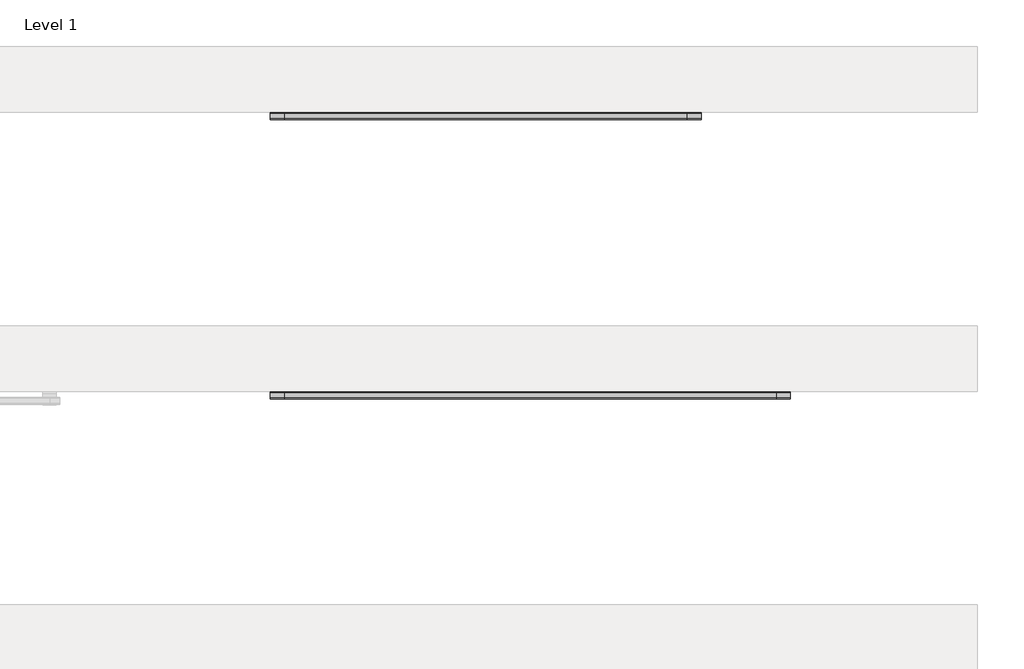
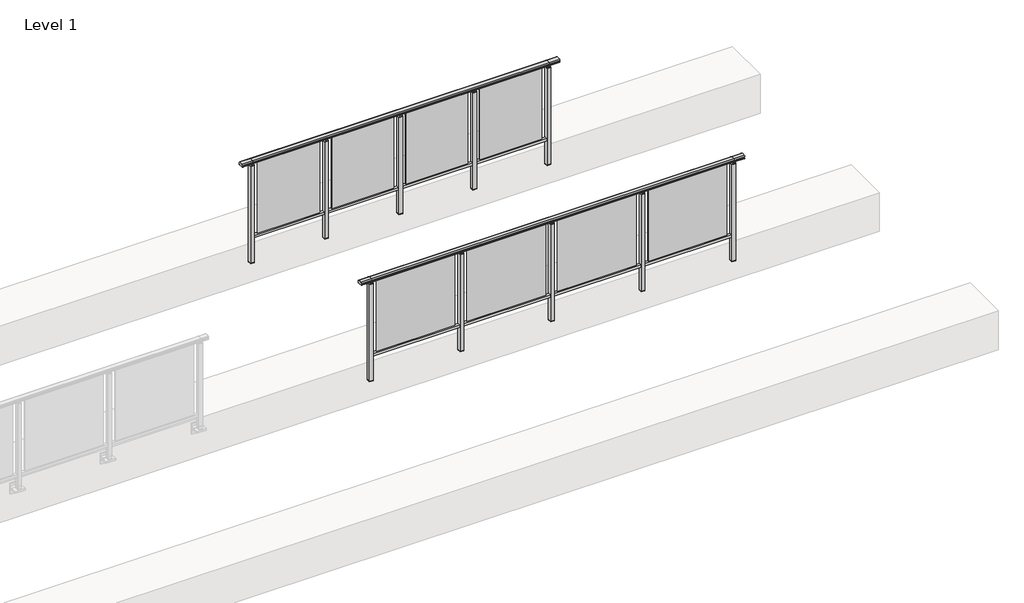
# One storey, part 51 of 64: 2 railings.
"""IFC4 building model written with IfcOpenShell, lengths in millimetres."""

import ifcopenshell
import ifcopenshell.guid

model = None  # the IFC model being written
_history = None  # IfcOwnerHistory: only IFC2X3 demands one
_inside = {}  # id of a spatial element -> (the spatial element, [elements in it])
_under = {}  # id of a project, library or spatial element -> (it, [spatial elements below it])
_declared = {}  # id of a project -> (the project, [libraries it declares])
_typed = {}  # id of a type object -> (the type object, [elements of that type])
_made_of = {}  # id of a material, layer set ... -> (it, [elements and type objects made of it])


def new_model(schema):
    """Start an empty IFC model of exactly this schema.

    Asked for "IFC4X3", IfcOpenShell would pick the latest addendum, in which some entities
    have other attributes; the version numbers below select the first issue.
    IFC2X3 requires an IfcOwnerHistory on every rooted entity: one is made here for all.
    """
    global model, _history
    if schema == "IFC4X3":
        model = ifcopenshell.file(schema_version=(4, 3, 0, 0))
    else:
        model = ifcopenshell.file(schema=schema)
    _inside.clear()
    _under.clear()
    _declared.clear()
    _typed.clear()
    _made_of.clear()
    _history = None
    if model.schema == "IFC2X3":
        org = make("IfcOrganization", Name="unknown")
        user = make(
            "IfcPersonAndOrganization",
            ThePerson=make("IfcPerson", FamilyName="unknown"),
            TheOrganization=org,
        )
        app = make(
            "IfcApplication",
            ApplicationDeveloper=org,
            Version="unknown",
            ApplicationFullName="unknown",
            ApplicationIdentifier="unknown",
        )
        _history = make(
            "IfcOwnerHistory",
            OwningUser=user,
            OwningApplication=app,
            ChangeAction="ADDED",
            CreationDate=0,
        )
    return model


def make(cls, **values):
    """One entity of the class cls with the attributes given. An attribute that is None is left unset."""
    return model.create_entity(
        cls, **{name: value for name, value in values.items() if value is not None}
    )


def rooted(cls, **values):
    """An entity with a GlobalId (a new one), such as an element, a storey or a relation."""
    return make(cls, GlobalId=ifcopenshell.guid.new(), OwnerHistory=_history, **values)


def si_unit(unit_type, name, prefix=None):
    """IfcSIUnit, for example si_unit("LENGTHUNIT", "METRE", prefix="MILLI")."""
    return make("IfcSIUnit", UnitType=unit_type, Prefix=prefix, Name=name)


def assignment(units):
    """IfcUnitAssignment: the units of a project."""
    return None if units is None else make("IfcUnitAssignment", Units=units)


def point(xyz):
    """IfcCartesianPoint."""
    return None if xyz is None else make("IfcCartesianPoint", Coordinates=xyz)


def direction(xyz):
    """IfcDirection."""
    return None if xyz is None else make("IfcDirection", DirectionRatios=xyz)


def frame(location, z_axis=None, x_axis=None):
    """IfcAxis2Placement3D, a coordinate frame: its origin and axes. An axis left out is left unset."""
    return make(
        "IfcAxis2Placement3D",
        Location=point(location),
        Axis=direction(z_axis),
        RefDirection=direction(x_axis),
    )


def origin():
    """The frame at (0, 0, 0) with its axes left unset."""
    return frame((0.0, 0.0, 0.0))


def place(relative_to, where):
    """IfcLocalPlacement: puts the frame where relative to a parent placement (None: the world)."""
    return make(
        "IfcLocalPlacement", PlacementRelTo=relative_to, RelativePlacement=where
    )


def context(
    kind, dimensions, precision=None, world=None, true_north=None, identifier=None
):
    """IfcGeometricRepresentationContext, for example the 3D "Model" context."""
    return make(
        "IfcGeometricRepresentationContext",
        ContextIdentifier=identifier,
        ContextType=kind,
        CoordinateSpaceDimension=dimensions,
        Precision=precision,
        WorldCoordinateSystem=world,
        TrueNorth=true_north,
    )


def project(units=None, contexts=None):
    """IfcProject with its units and contexts."""
    return rooted(
        "IfcProject",
        Name="project",
        RepresentationContexts=contexts,
        UnitsInContext=assignment(units),
    )


def spatial(cls, under=None, at=None, **own):
    """A site, building, storey or space (cls), placed at a placement, below another one or the project."""
    s = rooted(cls, ObjectPlacement=at, **own)
    if under is not None:
        _under.setdefault(under.id(), (under, []))[1].append(s)
    return s


def polyline(points):
    """IfcPolyline through the points."""
    return make("IfcPolyline", Points=[point(p) for p in points])


def circle_curve(where, radius):
    """IfcCircle in the frame where."""
    return make("IfcCircle", Position=where, Radius=radius)


def outline(outer, holes=None, kind="AREA"):
    """IfcArbitraryClosedProfileDef: a profile drawn as a closed curve; with holes, ...WithVoids."""
    if holes is None:
        return make("IfcArbitraryClosedProfileDef", ProfileType=kind, OuterCurve=outer)
    return make(
        "IfcArbitraryProfileDefWithVoids",
        ProfileType=kind,
        OuterCurve=outer,
        InnerCurves=holes,
    )


def extrude(swept, where, along, depth):
    """IfcExtrudedAreaSolid: the profile swept, set in the frame where, extruded along a direction by depth."""
    return make(
        "IfcExtrudedAreaSolid",
        SweptArea=swept,
        Position=where,
        ExtrudedDirection=direction(along),
        Depth=depth,
    )


def shape(context_of_items, identifier, shape_type, items):
    """IfcShapeRepresentation: the items that make up one representation, for example the "Body"."""
    return make(
        "IfcShapeRepresentation",
        ContextOfItems=context_of_items,
        RepresentationIdentifier=identifier,
        RepresentationType=shape_type,
        Items=items,
    )


def made_of(thing, what):
    """Note that an element or type object is made of a material, layer set ...; save() writes the relation."""
    if what is not None:
        _made_of.setdefault(what.id(), (what, []))[1].append(thing)
    return thing


def element(
    cls,
    number,
    at=None,
    inside=None,
    cuts=None,
    type_object=None,
    material=None,
    context=None,
    identifier="Body",
    shape_type=None,
    held_by="IfcProductDefinitionShape",
    body=None,
    shapes=None,
    **own,
):
    """One element of the class cls, such as IfcWall. Its Tag is "e" and its number.

    at: its placement. inside: the storey or other place that contains it. cuts: it is an
    opening in that element (IfcRelVoidsElement). A single representation is given by context,
    identifier, shape_type and body (its items); several are given by shapes. held_by: the class
    of the entity that holds the representations. save() writes the other relations.
    """
    e = rooted(cls, Tag="e%d" % number, ObjectPlacement=at, **own)
    if body is not None:
        shapes = [shape(context, identifier, shape_type, body)]
    if shapes is not None:
        e.Representation = make(held_by, Representations=shapes)
    if inside is not None:
        _inside.setdefault(inside.id(), (inside, []))[1].append(e)
    if cuts is not None:
        rooted(
            "IfcRelVoidsElement", RelatingBuildingElement=cuts, RelatedOpeningElement=e
        )
    if type_object is not None:
        _typed.setdefault(type_object.id(), (type_object, []))[1].append(e)
    return made_of(e, material)


def aggregate(whole, parts):
    """IfcRelAggregates: a whole, such as a stair, and the parts it consists of."""
    return rooted("IfcRelAggregates", RelatingObject=whole, RelatedObjects=parts)


def save(model, path):
    """Write the relations noted so far, then the file.

    IfcRelAggregates (storeys below a building ...), IfcRelContainedInSpatialStructure (elements
    in a storey), IfcRelDefinesByType, IfcRelAssociatesMaterial and IfcRelDeclares: one each for
    every whole, place, type object, material and project.
    """
    for whole, parts in _under.values():
        aggregate(whole, parts)
    for where, things in _inside.values():
        rooted(
            "IfcRelContainedInSpatialStructure",
            RelatedElements=things,
            RelatingStructure=where,
        )
    for kind, things in _typed.values():
        rooted("IfcRelDefinesByType", RelatedObjects=things, RelatingType=kind)
    for what, things in _made_of.values():
        rooted("IfcRelAssociatesMaterial", RelatedObjects=things, RelatingMaterial=what)
    for by, libraries in _declared.values():
        rooted("IfcRelDeclares", RelatingContext=by, RelatedDefinitions=libraries)
    model.write(path)


def plane_surface(at):
    """IfcPlane: the flat surface through the origin of the frame at, square to its z axis."""
    return make("IfcPlane", Position=at)


def cylinder_surface(at, radius):
    """IfcCylindricalSurface: all points at the distance radius from the z axis of the frame at."""
    return make("IfcCylindricalSurface", Position=at, Radius=radius)


def revolved_surface(curve, axis_point, axis_direction):
    """IfcSurfaceOfRevolution: the curve turned about the line through axis_point along axis_direction."""
    return make(
        "IfcSurfaceOfRevolution",
        SweptCurve=make("IfcArbitraryOpenProfileDef", ProfileType="CURVE", Curve=curve),
        AxisPosition=make("IfcAxis1Placement", Location=point(axis_point), Axis=direction(axis_direction)),
    )


def advanced_brep(points, edges, surfaces, faces):
    """IfcAdvancedBrep: a solid bounded by faces that lie on surfaces and meet in shared edges.

    An edge is (start, end): straight between two places in points (the first is 0);
    or (start, end, curve); or (start, end, curve, False) where it runs against its curve.
    A face is (place in surfaces, loops), or (place, loops, False) where it looks against
    its surface's normal. A loop lists edges by number (the first is 1), with a minus sign
    where the edge is run from its end to its start. The first loop is the outer one.
    """
    corners = [point(p) for p in points]
    vertices = [make("IfcVertexPoint", VertexGeometry=c) for c in corners]
    made = []
    for start, end, *more in edges:
        made.append(
            make(
                "IfcEdgeCurve",
                EdgeStart=vertices[start],
                EdgeEnd=vertices[end],
                EdgeGeometry=more[0] if more else make("IfcPolyline", Points=[corners[start], corners[end]]),
                SameSense=more[1] if len(more) > 1 else True,
            )
        )
    hull = []
    for where, loops, *sense in faces:
        bounds = []
        for j, loop in enumerate(loops):
            ring = [make("IfcOrientedEdge", EdgeElement=made[abs(k) - 1], Orientation=k > 0) for k in loop]
            bounds.append(
                make(
                    "IfcFaceOuterBound" if j == 0 else "IfcFaceBound",
                    Bound=make("IfcEdgeLoop", EdgeList=ring),
                    Orientation=True,
                )
            )
        hull.append(make("IfcAdvancedFace", Bounds=bounds, FaceSurface=surfaces[where], SameSense=sense[0] if sense else True))
    return make("IfcAdvancedBrep", Outer=make("IfcClosedShell", CfsFaces=hull))


model = new_model("IFC4")

# Units and contexts
model_context = context("Model", 3, world=origin())
ifc_project = project(units=[si_unit("LENGTHUNIT", "METRE", prefix="MILLI")], contexts=[model_context])

# Site, building, storey
site = spatial("IfcSite", under=ifc_project)
building = spatial("IfcBuilding", under=site)
storey = spatial("IfcBuildingStorey", under=building, Name="Level 1", Elevation=0.0)

# Railings
placement = place(None, origin())
element("IfcRailing", 1, at=placement, inside=storey, context=model_context, shape_type="SolidModel", body=[
    advanced_brep(
    [(49372.5, 19892.8633756, 1095.6691182), (49372.5, 19897.6846828, 1081.1334092), (49372.5, 19896.7413744, 1069.2539035), (49372.5, 19898.6364177, 1061.4863007), (49372.5, 19896.9894799, 1060.384124), (49372.5, 19896.9894799, 1062.0), (49372.5, 19838.3798858, 1062.0), (49372.5, 19838.3798858, 1060.384124), (49372.5, 19836.732948, 1061.4863007), (49372.5, 19838.6279912, 1069.2539035), (49372.5, 19837.6846828, 1081.1334092), (49372.5, 19842.50599, 1095.6691182), (54027.5, 19892.8633756, 1095.6691182), (54027.5, 19842.50599, 1095.6691182), (54027.5, 19837.6846828, 1081.1334092), (54027.5, 19838.6279912, 1069.2539035), (54027.5, 19836.732948, 1061.4863007), (54027.5, 19838.3798858, 1060.384124), (54027.5, 19838.3798858, 1062.0), (54027.5, 19896.9894799, 1062.0), (54027.5, 19896.9894799, 1060.384124), (54027.5, 19898.6364177, 1061.4863007), (54027.5, 19896.7413744, 1069.2539035), (54027.5, 19897.6846828, 1081.1334092), (49500.0, 19892.8633756, 1095.6691182), (49500.0, 19897.6846828, 1081.1334092), (49500.0, 19896.7413744, 1069.2539035), (49500.0, 19898.6364177, 1061.4863007), (49500.0, 19896.9894799, 1060.384124), (49500.0, 19896.9894799, 1062.0), (49500.0, 19838.3798858, 1062.0), (49500.0, 19838.3798858, 1060.384124), (49500.0, 19836.732948, 1061.4863007), (49500.0, 19838.6279912, 1069.2539035), (49500.0, 19837.6846828, 1081.1334092), (49500.0, 19842.50599, 1095.6691182), (53900.0, 19892.8633756, 1095.6691182), (53900.0, 19897.6846828, 1081.1334092), (53900.0, 19896.7413744, 1069.2539035), (53900.0, 19898.6364177, 1061.4863007), (53900.0, 19896.9894799, 1060.384124), (53900.0, 19896.9894799, 1062.0), (53900.0, 19838.3798858, 1062.0), (53900.0, 19838.3798858, 1060.384124), (53900.0, 19836.732948, 1061.4863007), (53900.0, 19838.6279912, 1069.2539035), (53900.0, 19837.6846828, 1081.1334092), (53900.0, 19842.50599, 1095.6691182)],
    [
        (0, 1, circle_curve(frame((49372.5, 19889.6223845, 1086.526686), z_axis=(-1.0, 0.0, 0.0), x_axis=(0.0, -1.0, 0.0)), 9.6999015)),
        (1, 2, circle_curve(frame((49372.5, 19915.2252545, 1073.7633709), z_axis=(1.0, 0.0, 0.0), x_axis=(0.0, -1.0, 0.0)), 19.0260117)),
        (2, 3),
        (3, 4, circle_curve(frame((49372.5, 19897.7772073, 1060.9886194), z_axis=(-1.0, 0.0, 0.0), x_axis=(0.0, -1.0, 0.0)), 0.9929396)),
        (4, 5),
        (5, 6),
        (6, 7),
        (7, 8, circle_curve(frame((49372.5, 19837.5921584, 1060.9886194), z_axis=(-1.0, 0.0, 0.0), x_axis=(0.0, 1.0, 0.0)), 0.9929396)),
        (8, 9),
        (9, 10, circle_curve(frame((49372.5, 19820.1441111, 1073.7633709), z_axis=(1.0, 0.0, 0.0), x_axis=(0.0, 1.0, 0.0)), 19.0260117)),
        (10, 11, circle_curve(frame((49372.5, 19845.7469812, 1086.526686), z_axis=(-1.0, 0.0, 0.0), x_axis=(0.0, 1.0, 0.0)), 9.6999015)),
        (11, 0, circle_curve(frame((49372.5, 19867.6846828, 1024.6431628), z_axis=(-1.0, 0.0, 0.0), x_axis=(0.0, 1.0, 0.0)), 75.3568372)),
        (12, 13, circle_curve(frame((54027.5, 19867.6846828, 1024.6431628), z_axis=(1.0, 0.0, 0.0), x_axis=(0.0, 1.0, 0.0)), 75.3568372)),
        (13, 14, circle_curve(frame((54027.5, 19845.7469812, 1086.526686), z_axis=(1.0, 0.0, 0.0), x_axis=(0.0, 1.0, 0.0)), 9.6999015)),
        (14, 15, circle_curve(frame((54027.5, 19820.1441111, 1073.7633709), z_axis=(-1.0, 0.0, 0.0), x_axis=(0.0, 1.0, 0.0)), 19.0260117)),
        (15, 16),
        (16, 17, circle_curve(frame((54027.5, 19837.5921584, 1060.9886194), z_axis=(1.0, 0.0, 0.0), x_axis=(0.0, 1.0, 0.0)), 0.9929396)),
        (17, 18),
        (18, 19),
        (19, 20),
        (20, 21, circle_curve(frame((54027.5, 19897.7772073, 1060.9886194), z_axis=(1.0, 0.0, 0.0), x_axis=(0.0, -1.0, 0.0)), 0.9929396)),
        (21, 22),
        (22, 23, circle_curve(frame((54027.5, 19915.2252545, 1073.7633709), z_axis=(-1.0, 0.0, 0.0), x_axis=(0.0, -1.0, 0.0)), 19.0260117)),
        (23, 12, circle_curve(frame((54027.5, 19889.6223845, 1086.526686), z_axis=(1.0, 0.0, 0.0), x_axis=(0.0, -1.0, 0.0)), 9.6999015)),
        (0, 24),
        (24, 25, circle_curve(frame((49500.0, 19889.6223845, 1086.526686), z_axis=(-1.0, 0.0, 0.0), x_axis=(0.0, -1.0, 0.0)), 9.6999015)),
        (25, 1),
        (25, 26, circle_curve(frame((49500.0, 19915.2252545, 1073.7633709), z_axis=(1.0, 0.0, 0.0), x_axis=(0.0, -1.0, 0.0)), 19.0260117)),
        (26, 2),
        (26, 27),
        (27, 3),
        (27, 28, circle_curve(frame((49500.0, 19897.7772073, 1060.9886194), z_axis=(-1.0, 0.0, 0.0), x_axis=(0.0, -1.0, 0.0)), 0.9929396)),
        (28, 4),
        (28, 29),
        (29, 5),
        (29, 30),
        (30, 6),
        (30, 31),
        (31, 7),
        (31, 32, circle_curve(frame((49500.0, 19837.5921584, 1060.9886194), z_axis=(-1.0, 0.0, 0.0), x_axis=(0.0, 1.0, 0.0)), 0.9929396)),
        (32, 8),
        (32, 33),
        (33, 9),
        (33, 34, circle_curve(frame((49500.0, 19820.1441111, 1073.7633709), z_axis=(1.0, 0.0, 0.0), x_axis=(0.0, 1.0, 0.0)), 19.0260117)),
        (34, 10),
        (34, 35, circle_curve(frame((49500.0, 19845.7469812, 1086.526686), z_axis=(-1.0, 0.0, 0.0), x_axis=(0.0, 1.0, 0.0)), 9.6999015)),
        (35, 11),
        (35, 24, circle_curve(frame((49500.0, 19867.6846828, 1024.6431628), z_axis=(-1.0, 0.0, 0.0), x_axis=(0.0, 1.0, 0.0)), 75.3568372)),
        (24, 36),
        (36, 37, circle_curve(frame((53900.0, 19889.6223845, 1086.526686), z_axis=(-1.0, 0.0, 0.0), x_axis=(0.0, -1.0, 0.0)), 9.6999015)),
        (37, 25),
        (37, 38, circle_curve(frame((53900.0, 19915.2252545, 1073.7633709), z_axis=(1.0, 0.0, 0.0), x_axis=(0.0, -1.0, 0.0)), 19.0260117)),
        (38, 26),
        (38, 39),
        (39, 27),
        (39, 40, circle_curve(frame((53900.0, 19897.7772073, 1060.9886194), z_axis=(-1.0, 0.0, 0.0), x_axis=(0.0, -1.0, 0.0)), 0.9929396)),
        (40, 28),
        (40, 41),
        (41, 29),
        (41, 42),
        (42, 30),
        (42, 43),
        (43, 31),
        (43, 44, circle_curve(frame((53900.0, 19837.5921584, 1060.9886194), z_axis=(-1.0, 0.0, 0.0), x_axis=(0.0, 1.0, 0.0)), 0.9929396)),
        (44, 32),
        (44, 45),
        (45, 33),
        (45, 46, circle_curve(frame((53900.0, 19820.1441111, 1073.7633709), z_axis=(1.0, 0.0, 0.0), x_axis=(0.0, 1.0, 0.0)), 19.0260117)),
        (46, 34),
        (46, 47, circle_curve(frame((53900.0, 19845.7469812, 1086.526686), z_axis=(-1.0, 0.0, 0.0), x_axis=(0.0, 1.0, 0.0)), 9.6999015)),
        (47, 35),
        (47, 36, circle_curve(frame((53900.0, 19867.6846828, 1024.6431628), z_axis=(-1.0, 0.0, 0.0), x_axis=(0.0, 1.0, 0.0)), 75.3568372)),
        (36, 12),
        (23, 37),
        (22, 38),
        (21, 39),
        (20, 40),
        (19, 41),
        (18, 42),
        (17, 43),
        (16, 44),
        (15, 45),
        (14, 46),
        (13, 47),
    ],
    [
        plane_surface(frame((49372.5, 19867.6846828, 1100.0), z_axis=(-1.0, 0.0, 0.0), x_axis=(0.0, 1.0, 0.0))),
        plane_surface(frame((54027.5, 19867.6846828, 1100.0), z_axis=(1.0, 0.0, 0.0), x_axis=(0.0, 1.0, 0.0))),
        cylinder_surface(frame((49372.5, 19889.6223845, 1086.526686), z_axis=(-1.0, 0.0, 0.0), x_axis=(0.0, -1.0, 0.0)), 9.6999015),
        revolved_surface(polyline([(49500.0, 19896.1992428, 1073.7633709), (49372.5, 19896.1992428, 1073.7633709)]), (49372.5, 19915.2252545, 1073.7633709), (1.0, 0.0, 0.0)),
        plane_surface(frame((49372.5, 19896.7413744, 1069.2539035), z_axis=(0.0, 0.9715057689301543, 0.2370159086125439), x_axis=(1.0, 0.0, 0.0))),
        cylinder_surface(frame((49372.5, 19897.7772073, 1060.9886194), z_axis=(-1.0, 0.0, 0.0), x_axis=(0.0, -1.0, 0.0)), 0.9929396),
        plane_surface(frame((49372.5, 19896.9894799, 1060.384124), z_axis=(0.0, -1.0, 0.0), x_axis=(1.0, 0.0, 0.0))),
        plane_surface(frame((49372.5, 19896.9894799, 1062.0), z_axis=(0.0, 0.0, -1.0), x_axis=(1.0, 0.0, 0.0))),
        plane_surface(frame((49372.5, 19838.3798858, 1062.0), z_axis=(0.0, 1.0, 0.0), x_axis=(1.0, 0.0, 0.0))),
        cylinder_surface(frame((49372.5, 19837.5921584, 1060.9886194), z_axis=(-1.0, 0.0, 0.0), x_axis=(0.0, 1.0, 0.0)), 0.9929396),
        plane_surface(frame((49372.5, 19836.732948, 1061.4863007), z_axis=(0.0, -0.9715057689301543, 0.2370159086125439), x_axis=(1.0, 0.0, 0.0))),
        revolved_surface(polyline([(49500.0, 19839.1701228, 1073.7633709), (49372.5, 19839.1701228, 1073.7633709)]), (49372.5, 19820.1441111, 1073.7633709), (1.0, 0.0, 0.0)),
        cylinder_surface(frame((49372.5, 19845.7469812, 1086.526686), z_axis=(-1.0, 0.0, 0.0), x_axis=(0.0, 1.0, 0.0)), 9.6999015),
        cylinder_surface(frame((49372.5, 19867.6846828, 1024.6431628), z_axis=(-1.0, 0.0, 0.0), x_axis=(0.0, 1.0, 0.0)), 75.3568372),
        cylinder_surface(frame((49500.0, 19889.6223845, 1086.526686), z_axis=(-1.0, 0.0, 0.0), x_axis=(0.0, -1.0, 0.0)), 9.6999015),
        revolved_surface(polyline([(53900.0, 19896.1992428, 1073.7633709), (49500.0, 19896.1992428, 1073.7633709)]), (49500.0, 19915.2252545, 1073.7633709), (1.0, 0.0, 0.0)),
        plane_surface(frame((49500.0, 19896.7413744, 1069.2539035), z_axis=(0.0, 0.9715057689301543, 0.2370159086125439), x_axis=(1.0, 0.0, 0.0))),
        cylinder_surface(frame((49500.0, 19897.7772073, 1060.9886194), z_axis=(-1.0, 0.0, 0.0), x_axis=(0.0, -1.0, 0.0)), 0.9929396),
        plane_surface(frame((49500.0, 19896.9894799, 1060.384124), z_axis=(0.0, -1.0, 0.0), x_axis=(1.0, 0.0, 0.0))),
        plane_surface(frame((49500.0, 19896.9894799, 1062.0), z_axis=(0.0, 0.0, -1.0), x_axis=(1.0, 0.0, 0.0))),
        plane_surface(frame((49500.0, 19838.3798858, 1062.0), z_axis=(0.0, 1.0, 0.0), x_axis=(1.0, 0.0, 0.0))),
        cylinder_surface(frame((49500.0, 19837.5921584, 1060.9886194), z_axis=(-1.0, 0.0, 0.0), x_axis=(0.0, 1.0, 0.0)), 0.9929396),
        plane_surface(frame((49500.0, 19836.732948, 1061.4863007), z_axis=(0.0, -0.9715057689301543, 0.2370159086125439), x_axis=(1.0, 0.0, 0.0))),
        revolved_surface(polyline([(53900.0, 19839.1701228, 1073.7633709), (49500.0, 19839.1701228, 1073.7633709)]), (49500.0, 19820.1441111, 1073.7633709), (1.0, 0.0, 0.0)),
        cylinder_surface(frame((49500.0, 19845.7469812, 1086.526686), z_axis=(-1.0, 0.0, 0.0), x_axis=(0.0, 1.0, 0.0)), 9.6999015),
        cylinder_surface(frame((49500.0, 19867.6846828, 1024.6431628), z_axis=(-1.0, 0.0, 0.0), x_axis=(0.0, 1.0, 0.0)), 75.3568372),
        cylinder_surface(frame((53900.0, 19889.6223845, 1086.526686), z_axis=(-1.0, 0.0, 0.0), x_axis=(0.0, -1.0, 0.0)), 9.6999015),
        revolved_surface(polyline([(54027.5, 19896.1992428, 1073.7633709), (53900.0, 19896.1992428, 1073.7633709)]), (53900.0, 19915.2252545, 1073.7633709), (1.0, 0.0, 0.0)),
        plane_surface(frame((53900.0, 19896.7413744, 1069.2539035), z_axis=(0.0, 0.9715057689301543, 0.2370159086125439), x_axis=(1.0, 0.0, 0.0))),
        cylinder_surface(frame((53900.0, 19897.7772073, 1060.9886194), z_axis=(-1.0, 0.0, 0.0), x_axis=(0.0, -1.0, 0.0)), 0.9929396),
        plane_surface(frame((53900.0, 19896.9894799, 1060.384124), z_axis=(0.0, -1.0, 0.0), x_axis=(1.0, 0.0, 0.0))),
        plane_surface(frame((53900.0, 19896.9894799, 1062.0), z_axis=(0.0, 0.0, -1.0), x_axis=(1.0, 0.0, 0.0))),
        plane_surface(frame((53900.0, 19838.3798858, 1062.0), z_axis=(0.0, 1.0, 0.0), x_axis=(1.0, 0.0, 0.0))),
        cylinder_surface(frame((53900.0, 19837.5921584, 1060.9886194), z_axis=(-1.0, 0.0, 0.0), x_axis=(0.0, 1.0, 0.0)), 0.9929396),
        plane_surface(frame((53900.0, 19836.732948, 1061.4863007), z_axis=(0.0, -0.9715057689301543, 0.2370159086125439), x_axis=(1.0, 0.0, 0.0))),
        revolved_surface(polyline([(54027.5, 19839.1701228, 1073.7633709), (53900.0, 19839.1701228, 1073.7633709)]), (53900.0, 19820.1441111, 1073.7633709), (1.0, 0.0, 0.0)),
        cylinder_surface(frame((53900.0, 19845.7469812, 1086.526686), z_axis=(-1.0, 0.0, 0.0), x_axis=(0.0, 1.0, 0.0)), 9.6999015),
        cylinder_surface(frame((53900.0, 19867.6846828, 1024.6431628), z_axis=(-1.0, 0.0, 0.0), x_axis=(0.0, 1.0, 0.0)), 75.3568372),
    ],
    [
        (0, [[1, 2, 3, 4, 5, 6, 7, 8, 9, 10, 11, 12]]),
        (1, [[13, 14, 15, 16, 17, 18, 19, 20, 21, 22, 23, 24]]),
        (2, [[-1, 25, 26, 27]]),
        (3, [[-2, -27, 28, 29]]),
        (4, [[-3, -29, 30, 31]]),
        (5, [[-4, -31, 32, 33]]),
        (6, [[-5, -33, 34, 35]]),
        (7, [[-6, -35, 36, 37]]),
        (8, [[-7, -37, 38, 39]]),
        (9, [[-8, -39, 40, 41]]),
        (10, [[-9, -41, 42, 43]]),
        (11, [[-10, -43, 44, 45]]),
        (12, [[-11, -45, 46, 47]]),
        (13, [[-12, -47, 48, -25]]),
        (14, [[-26, 49, 50, 51]]),
        (15, [[-28, -51, 52, 53]]),
        (16, [[-30, -53, 54, 55]]),
        (17, [[-32, -55, 56, 57]]),
        (18, [[-34, -57, 58, 59]]),
        (19, [[-36, -59, 60, 61]]),
        (20, [[-38, -61, 62, 63]]),
        (21, [[-40, -63, 64, 65]]),
        (22, [[-42, -65, 66, 67]]),
        (23, [[-44, -67, 68, 69]]),
        (24, [[-46, -69, 70, 71]]),
        (25, [[-48, -71, 72, -49]]),
        (26, [[-50, 73, -24, 74]]),
        (27, [[-52, -74, -23, 75]]),
        (28, [[-54, -75, -22, 76]]),
        (29, [[-56, -76, -21, 77]]),
        (30, [[-58, -77, -20, 78]]),
        (31, [[-60, -78, -19, 79]]),
        (32, [[-62, -79, -18, 80]]),
        (33, [[-64, -80, -17, 81]]),
        (34, [[-66, -81, -16, 82]]),
        (35, [[-68, -82, -15, 83]]),
        (36, [[-70, -83, -14, 84]]),
        (37, [[-72, -84, -13, -73]]),
    ],
),
    extrude(outline(polyline([(49500.0, 19850.1846828), (49500.0, 19885.1846828), (53900.0, 19885.1846828), (53900.0, 19850.1846828), (49500.0, 19850.1846828)])), frame((0.0, 0.0, 95.0), z_axis=(0.0, 0.0, 1.0), x_axis=(1.0, 0.0, 0.0)), (0.0, 0.0, 1.0), 30.0),
    extrude(outline(polyline([(52872.5, 19865.9094929), (52872.5, 19871.9094929), (53827.5, 19871.9094929), (53827.5, 19865.9094929), (52872.5, 19865.9094929)])), frame((0.0, 0.0, 125.0), z_axis=(0.0, 0.0, 1.0), x_axis=(1.0, 0.0, 0.0)), (0.0, 0.0, 1.0), 930.0),
    extrude(outline(polyline([(52822.5, 19890.1846828), (52822.5, 19845.1846828), (52777.5, 19845.1846828), (52777.5, 19890.1846828), (52822.5, 19890.1846828)])), frame((0.0, 0.0, 1027.0), z_axis=(0.0, 0.0, 1.0), x_axis=(1.0, 0.0, 0.0)), (0.0, 0.0, 1.0), 8.0),
    extrude(outline(polyline([(52822.5, 19890.1846828), (52822.5, 19845.1846828), (52777.5, 19845.1846828), (52777.5, 19890.1846828), (52822.5, 19890.1846828)])), frame((0.0, 0.0, -212.0), z_axis=(0.0, 0.0, 1.0), x_axis=(1.0, 0.0, 0.0)), (0.0, 0.0, 1.0), 1239.0),
    extrude(outline(polyline([(52810.0, 19877.6846828), (52810.0, 19857.6846828), (52790.0, 19857.6846828), (52790.0, 19877.6846828), (52810.0, 19877.6846828)])), frame((0.0, 0.0, 1035.0), z_axis=(0.0, 0.0, 1.0), x_axis=(1.0, 0.0, 0.0)), (0.0, 0.0, 1.0), 20.0),
    extrude(outline(polyline([(52822.5, 19890.1846828), (52822.5, 19845.1846828), (52777.5, 19845.1846828), (52777.5, 19890.1846828), (52822.5, 19890.1846828)])), frame((0.0, 0.0, -220.0), z_axis=(0.0, 0.0, 1.0), x_axis=(1.0, 0.0, 0.0)), (0.0, 0.0, 1.0), 8.0),
    extrude(outline(polyline([(51772.5, 19865.9094929), (51772.5, 19871.9094929), (52727.5, 19871.9094929), (52727.5, 19865.9094929), (51772.5, 19865.9094929)])), frame((0.0, 0.0, 125.0), z_axis=(0.0, 0.0, 1.0), x_axis=(1.0, 0.0, 0.0)), (0.0, 0.0, 1.0), 930.0),
    extrude(outline(polyline([(51722.5, 19890.1846828), (51722.5, 19845.1846828), (51677.5, 19845.1846828), (51677.5, 19890.1846828), (51722.5, 19890.1846828)])), frame((0.0, 0.0, 1027.0), z_axis=(0.0, 0.0, 1.0), x_axis=(1.0, 0.0, 0.0)), (0.0, 0.0, 1.0), 8.0),
    extrude(outline(polyline([(51722.5, 19890.1846828), (51722.5, 19845.1846828), (51677.5, 19845.1846828), (51677.5, 19890.1846828), (51722.5, 19890.1846828)])), frame((0.0, 0.0, -212.0), z_axis=(0.0, 0.0, 1.0), x_axis=(1.0, 0.0, 0.0)), (0.0, 0.0, 1.0), 1239.0),
    extrude(outline(polyline([(51710.0, 19877.6846828), (51710.0, 19857.6846828), (51690.0, 19857.6846828), (51690.0, 19877.6846828), (51710.0, 19877.6846828)])), frame((0.0, 0.0, 1035.0), z_axis=(0.0, 0.0, 1.0), x_axis=(1.0, 0.0, 0.0)), (0.0, 0.0, 1.0), 20.0),
    extrude(outline(polyline([(51722.5, 19890.1846828), (51722.5, 19845.1846828), (51677.5, 19845.1846828), (51677.5, 19890.1846828), (51722.5, 19890.1846828)])), frame((0.0, 0.0, -220.0), z_axis=(0.0, 0.0, 1.0), x_axis=(1.0, 0.0, 0.0)), (0.0, 0.0, 1.0), 8.0),
    extrude(outline(polyline([(50672.5, 19865.9094929), (50672.5, 19871.9094929), (51627.5, 19871.9094929), (51627.5, 19865.9094929), (50672.5, 19865.9094929)])), frame((0.0, 0.0, 125.0), z_axis=(0.0, 0.0, 1.0), x_axis=(1.0, 0.0, 0.0)), (0.0, 0.0, 1.0), 930.0),
    extrude(outline(polyline([(50622.5, 19890.1846828), (50622.5, 19845.1846828), (50577.5, 19845.1846828), (50577.5, 19890.1846828), (50622.5, 19890.1846828)])), frame((0.0, 0.0, 1027.0), z_axis=(0.0, 0.0, 1.0), x_axis=(1.0, 0.0, 0.0)), (0.0, 0.0, 1.0), 8.0),
    extrude(outline(polyline([(50622.5, 19890.1846828), (50622.5, 19845.1846828), (50577.5, 19845.1846828), (50577.5, 19890.1846828), (50622.5, 19890.1846828)])), frame((0.0, 0.0, -212.0), z_axis=(0.0, 0.0, 1.0), x_axis=(1.0, 0.0, 0.0)), (0.0, 0.0, 1.0), 1239.0),
    extrude(outline(polyline([(50610.0, 19877.6846828), (50610.0, 19857.6846828), (50590.0, 19857.6846828), (50590.0, 19877.6846828), (50610.0, 19877.6846828)])), frame((0.0, 0.0, 1035.0), z_axis=(0.0, 0.0, 1.0), x_axis=(1.0, 0.0, 0.0)), (0.0, 0.0, 1.0), 20.0),
    extrude(outline(polyline([(50622.5, 19890.1846828), (50622.5, 19845.1846828), (50577.5, 19845.1846828), (50577.5, 19890.1846828), (50622.5, 19890.1846828)])), frame((0.0, 0.0, -220.0), z_axis=(0.0, 0.0, 1.0), x_axis=(1.0, 0.0, 0.0)), (0.0, 0.0, 1.0), 8.0),
    extrude(outline(polyline([(49572.5, 19865.9094929), (49572.5, 19871.9094929), (50527.5, 19871.9094929), (50527.5, 19865.9094929), (49572.5, 19865.9094929)])), frame((0.0, 0.0, 125.0), z_axis=(0.0, 0.0, 1.0), x_axis=(1.0, 0.0, 0.0)), (0.0, 0.0, 1.0), 930.0),
    extrude(outline(polyline([(53922.5, 19890.1846828), (53922.5, 19845.1846828), (53877.5, 19845.1846828), (53877.5, 19890.1846828), (53922.5, 19890.1846828)])), frame((0.0, 0.0, 1027.0), z_axis=(0.0, 0.0, 1.0), x_axis=(1.0, 0.0, 0.0)), (0.0, 0.0, 1.0), 8.0),
    extrude(outline(polyline([(53922.5, 19890.1846828), (53922.5, 19845.1846828), (53877.5, 19845.1846828), (53877.5, 19890.1846828), (53922.5, 19890.1846828)])), frame((0.0, 0.0, -212.0), z_axis=(0.0, 0.0, 1.0), x_axis=(1.0, 0.0, 0.0)), (0.0, 0.0, 1.0), 1239.0),
    extrude(outline(polyline([(53910.0, 19877.6846828), (53910.0, 19857.6846828), (53890.0, 19857.6846828), (53890.0, 19877.6846828), (53910.0, 19877.6846828)])), frame((0.0, 0.0, 1035.0), z_axis=(0.0, 0.0, 1.0), x_axis=(1.0, 0.0, 0.0)), (0.0, 0.0, 1.0), 20.0),
    extrude(outline(polyline([(53922.5, 19890.1846828), (53922.5, 19845.1846828), (53877.5, 19845.1846828), (53877.5, 19890.1846828), (53922.5, 19890.1846828)])), frame((0.0, 0.0, -220.0), z_axis=(0.0, 0.0, 1.0), x_axis=(1.0, 0.0, 0.0)), (0.0, 0.0, 1.0), 8.0),
    extrude(outline(polyline([(49522.5, 19890.1846828), (49522.5, 19845.1846828), (49477.5, 19845.1846828), (49477.5, 19890.1846828), (49522.5, 19890.1846828)])), frame((0.0, 0.0, 1027.0), z_axis=(0.0, 0.0, 1.0), x_axis=(1.0, 0.0, 0.0)), (0.0, 0.0, 1.0), 8.0),
    extrude(outline(polyline([(49522.5, 19890.1846828), (49522.5, 19845.1846828), (49477.5, 19845.1846828), (49477.5, 19890.1846828), (49522.5, 19890.1846828)])), frame((0.0, 0.0, -212.0), z_axis=(0.0, 0.0, 1.0), x_axis=(1.0, 0.0, 0.0)), (0.0, 0.0, 1.0), 1239.0),
    extrude(outline(polyline([(49510.0, 19877.6846828), (49510.0, 19857.6846828), (49490.0, 19857.6846828), (49490.0, 19877.6846828), (49510.0, 19877.6846828)])), frame((0.0, 0.0, 1035.0), z_axis=(0.0, 0.0, 1.0), x_axis=(1.0, 0.0, 0.0)), (0.0, 0.0, 1.0), 20.0),
    extrude(outline(polyline([(49522.5, 19890.1846828), (49522.5, 19845.1846828), (49477.5, 19845.1846828), (49477.5, 19890.1846828), (49522.5, 19890.1846828)])), frame((0.0, 0.0, -220.0), z_axis=(0.0, 0.0, 1.0), x_axis=(1.0, 0.0, 0.0)), (0.0, 0.0, 1.0), 8.0),
])
element("IfcRailing", 2, at=placement, inside=storey, context=model_context, shape_type="SolidModel", body=[
    advanced_brep(
    [(49372.5, 22392.8633756, 1095.6691182), (49372.5, 22397.6846828, 1081.1334092), (49372.5, 22396.7413744, 1069.2539035), (49372.5, 22398.6364177, 1061.4863007), (49372.5, 22396.9894799, 1060.384124), (49372.5, 22396.9894799, 1062.0), (49372.5, 22338.3798858, 1062.0), (49372.5, 22338.3798858, 1060.384124), (49372.5, 22336.732948, 1061.4863007), (49372.5, 22338.6279912, 1069.2539035), (49372.5, 22337.6846828, 1081.1334092), (49372.5, 22342.50599, 1095.6691182), (53227.5, 22392.8633756, 1095.6691182), (53227.5, 22342.50599, 1095.6691182), (53227.5, 22337.6846828, 1081.1334092), (53227.5, 22338.6279912, 1069.2539035), (53227.5, 22336.732948, 1061.4863007), (53227.5, 22338.3798858, 1060.384124), (53227.5, 22338.3798858, 1062.0), (53227.5, 22396.9894799, 1062.0), (53227.5, 22396.9894799, 1060.384124), (53227.5, 22398.6364177, 1061.4863007), (53227.5, 22396.7413744, 1069.2539035), (53227.5, 22397.6846828, 1081.1334092), (49500.0, 22392.8633756, 1095.6691182), (49500.0, 22397.6846828, 1081.1334092), (49500.0, 22396.7413744, 1069.2539035), (49500.0, 22398.6364177, 1061.4863007), (49500.0, 22396.9894799, 1060.384124), (49500.0, 22396.9894799, 1062.0), (49500.0, 22338.3798858, 1062.0), (49500.0, 22338.3798858, 1060.384124), (49500.0, 22336.732948, 1061.4863007), (49500.0, 22338.6279912, 1069.2539035), (49500.0, 22337.6846828, 1081.1334092), (49500.0, 22342.50599, 1095.6691182), (53100.0, 22392.8633756, 1095.6691182), (53100.0, 22397.6846828, 1081.1334092), (53100.0, 22396.7413744, 1069.2539035), (53100.0, 22398.6364177, 1061.4863007), (53100.0, 22396.9894799, 1060.384124), (53100.0, 22396.9894799, 1062.0), (53100.0, 22338.3798858, 1062.0), (53100.0, 22338.3798858, 1060.384124), (53100.0, 22336.732948, 1061.4863007), (53100.0, 22338.6279912, 1069.2539035), (53100.0, 22337.6846828, 1081.1334092), (53100.0, 22342.50599, 1095.6691182)],
    [
        (0, 1, circle_curve(frame((49372.5, 22389.6223845, 1086.526686), z_axis=(-1.0, 0.0, 0.0), x_axis=(0.0, -1.0, 0.0)), 9.6999015)),
        (1, 2, circle_curve(frame((49372.5, 22415.2252545, 1073.7633709), z_axis=(1.0, 0.0, 0.0), x_axis=(0.0, -1.0, 0.0)), 19.0260117)),
        (2, 3),
        (3, 4, circle_curve(frame((49372.5, 22397.7772073, 1060.9886194), z_axis=(-1.0, 0.0, 0.0), x_axis=(0.0, -1.0, 0.0)), 0.9929396)),
        (4, 5),
        (5, 6),
        (6, 7),
        (7, 8, circle_curve(frame((49372.5, 22337.5921584, 1060.9886194), z_axis=(-1.0, 0.0, 0.0), x_axis=(0.0, 1.0, 0.0)), 0.9929396)),
        (8, 9),
        (9, 10, circle_curve(frame((49372.5, 22320.1441111, 1073.7633709), z_axis=(1.0, 0.0, 0.0), x_axis=(0.0, 1.0, 0.0)), 19.0260117)),
        (10, 11, circle_curve(frame((49372.5, 22345.7469812, 1086.526686), z_axis=(-1.0, 0.0, 0.0), x_axis=(0.0, 1.0, 0.0)), 9.6999015)),
        (11, 0, circle_curve(frame((49372.5, 22367.6846828, 1024.6431628), z_axis=(-1.0, 0.0, 0.0), x_axis=(0.0, 1.0, 0.0)), 75.3568372)),
        (12, 13, circle_curve(frame((53227.5, 22367.6846828, 1024.6431628), z_axis=(1.0, 0.0, 0.0), x_axis=(0.0, 1.0, 0.0)), 75.3568372)),
        (13, 14, circle_curve(frame((53227.5, 22345.7469812, 1086.526686), z_axis=(1.0, 0.0, 0.0), x_axis=(0.0, 1.0, 0.0)), 9.6999015)),
        (14, 15, circle_curve(frame((53227.5, 22320.1441111, 1073.7633709), z_axis=(-1.0, 0.0, 0.0), x_axis=(0.0, 1.0, 0.0)), 19.0260117)),
        (15, 16),
        (16, 17, circle_curve(frame((53227.5, 22337.5921584, 1060.9886194), z_axis=(1.0, 0.0, 0.0), x_axis=(0.0, 1.0, 0.0)), 0.9929396)),
        (17, 18),
        (18, 19),
        (19, 20),
        (20, 21, circle_curve(frame((53227.5, 22397.7772073, 1060.9886194), z_axis=(1.0, 0.0, 0.0), x_axis=(0.0, -1.0, 0.0)), 0.9929396)),
        (21, 22),
        (22, 23, circle_curve(frame((53227.5, 22415.2252545, 1073.7633709), z_axis=(-1.0, 0.0, 0.0), x_axis=(0.0, -1.0, 0.0)), 19.0260117)),
        (23, 12, circle_curve(frame((53227.5, 22389.6223845, 1086.526686), z_axis=(1.0, 0.0, 0.0), x_axis=(0.0, -1.0, 0.0)), 9.6999015)),
        (0, 24),
        (24, 25, circle_curve(frame((49500.0, 22389.6223845, 1086.526686), z_axis=(-1.0, 0.0, 0.0), x_axis=(0.0, -1.0, 0.0)), 9.6999015)),
        (25, 1),
        (25, 26, circle_curve(frame((49500.0, 22415.2252545, 1073.7633709), z_axis=(1.0, 0.0, 0.0), x_axis=(0.0, -1.0, 0.0)), 19.0260117)),
        (26, 2),
        (26, 27),
        (27, 3),
        (27, 28, circle_curve(frame((49500.0, 22397.7772073, 1060.9886194), z_axis=(-1.0, 0.0, 0.0), x_axis=(0.0, -1.0, 0.0)), 0.9929396)),
        (28, 4),
        (28, 29),
        (29, 5),
        (29, 30),
        (30, 6),
        (30, 31),
        (31, 7),
        (31, 32, circle_curve(frame((49500.0, 22337.5921584, 1060.9886194), z_axis=(-1.0, 0.0, 0.0), x_axis=(0.0, 1.0, 0.0)), 0.9929396)),
        (32, 8),
        (32, 33),
        (33, 9),
        (33, 34, circle_curve(frame((49500.0, 22320.1441111, 1073.7633709), z_axis=(1.0, 0.0, 0.0), x_axis=(0.0, 1.0, 0.0)), 19.0260117)),
        (34, 10),
        (34, 35, circle_curve(frame((49500.0, 22345.7469812, 1086.526686), z_axis=(-1.0, 0.0, 0.0), x_axis=(0.0, 1.0, 0.0)), 9.6999015)),
        (35, 11),
        (35, 24, circle_curve(frame((49500.0, 22367.6846828, 1024.6431628), z_axis=(-1.0, 0.0, 0.0), x_axis=(0.0, 1.0, 0.0)), 75.3568372)),
        (24, 36),
        (36, 37, circle_curve(frame((53100.0, 22389.6223845, 1086.526686), z_axis=(-1.0, 0.0, 0.0), x_axis=(0.0, -1.0, 0.0)), 9.6999015)),
        (37, 25),
        (37, 38, circle_curve(frame((53100.0, 22415.2252545, 1073.7633709), z_axis=(1.0, 0.0, 0.0), x_axis=(0.0, -1.0, 0.0)), 19.0260117)),
        (38, 26),
        (38, 39),
        (39, 27),
        (39, 40, circle_curve(frame((53100.0, 22397.7772073, 1060.9886194), z_axis=(-1.0, 0.0, 0.0), x_axis=(0.0, -1.0, 0.0)), 0.9929396)),
        (40, 28),
        (40, 41),
        (41, 29),
        (41, 42),
        (42, 30),
        (42, 43),
        (43, 31),
        (43, 44, circle_curve(frame((53100.0, 22337.5921584, 1060.9886194), z_axis=(-1.0, 0.0, 0.0), x_axis=(0.0, 1.0, 0.0)), 0.9929396)),
        (44, 32),
        (44, 45),
        (45, 33),
        (45, 46, circle_curve(frame((53100.0, 22320.1441111, 1073.7633709), z_axis=(1.0, 0.0, 0.0), x_axis=(0.0, 1.0, 0.0)), 19.0260117)),
        (46, 34),
        (46, 47, circle_curve(frame((53100.0, 22345.7469812, 1086.526686), z_axis=(-1.0, 0.0, 0.0), x_axis=(0.0, 1.0, 0.0)), 9.6999015)),
        (47, 35),
        (47, 36, circle_curve(frame((53100.0, 22367.6846828, 1024.6431628), z_axis=(-1.0, 0.0, 0.0), x_axis=(0.0, 1.0, 0.0)), 75.3568372)),
        (36, 12),
        (23, 37),
        (22, 38),
        (21, 39),
        (20, 40),
        (19, 41),
        (18, 42),
        (17, 43),
        (16, 44),
        (15, 45),
        (14, 46),
        (13, 47),
    ],
    [
        plane_surface(frame((49372.5, 22367.6846828, 1100.0), z_axis=(-1.0, 0.0, 0.0), x_axis=(0.0, 1.0, 0.0))),
        plane_surface(frame((53227.5, 22367.6846828, 1100.0), z_axis=(1.0, 0.0, 0.0), x_axis=(0.0, 1.0, 0.0))),
        cylinder_surface(frame((49372.5, 22389.6223845, 1086.526686), z_axis=(-1.0, 0.0, 0.0), x_axis=(0.0, -1.0, 0.0)), 9.6999015),
        revolved_surface(polyline([(49500.0, 22396.1992428, 1073.7633709), (49372.5, 22396.1992428, 1073.7633709)]), (49372.5, 22415.2252545, 1073.7633709), (1.0, 0.0, 0.0)),
        plane_surface(frame((49372.5, 22396.7413744, 1069.2539035), z_axis=(0.0, 0.9715057689301543, 0.2370159086125439), x_axis=(1.0, 0.0, 0.0))),
        cylinder_surface(frame((49372.5, 22397.7772073, 1060.9886194), z_axis=(-1.0, 0.0, 0.0), x_axis=(0.0, -1.0, 0.0)), 0.9929396),
        plane_surface(frame((49372.5, 22396.9894799, 1060.384124), z_axis=(0.0, -1.0, 0.0), x_axis=(1.0, 0.0, 0.0))),
        plane_surface(frame((49372.5, 22396.9894799, 1062.0), z_axis=(0.0, 0.0, -1.0), x_axis=(1.0, 0.0, 0.0))),
        plane_surface(frame((49372.5, 22338.3798858, 1062.0), z_axis=(0.0, 1.0, 0.0), x_axis=(1.0, 0.0, 0.0))),
        cylinder_surface(frame((49372.5, 22337.5921584, 1060.9886194), z_axis=(-1.0, 0.0, 0.0), x_axis=(0.0, 1.0, 0.0)), 0.9929396),
        plane_surface(frame((49372.5, 22336.732948, 1061.4863007), z_axis=(0.0, -0.9715057689301543, 0.2370159086125439), x_axis=(1.0, 0.0, 0.0))),
        revolved_surface(polyline([(49500.0, 22339.1701228, 1073.7633709), (49372.5, 22339.1701228, 1073.7633709)]), (49372.5, 22320.1441111, 1073.7633709), (1.0, 0.0, 0.0)),
        cylinder_surface(frame((49372.5, 22345.7469812, 1086.526686), z_axis=(-1.0, 0.0, 0.0), x_axis=(0.0, 1.0, 0.0)), 9.6999015),
        cylinder_surface(frame((49372.5, 22367.6846828, 1024.6431628), z_axis=(-1.0, 0.0, 0.0), x_axis=(0.0, 1.0, 0.0)), 75.3568372),
        cylinder_surface(frame((49500.0, 22389.6223845, 1086.526686), z_axis=(-1.0, 0.0, 0.0), x_axis=(0.0, -1.0, 0.0)), 9.6999015),
        revolved_surface(polyline([(53100.0, 22396.1992428, 1073.7633709), (49500.0, 22396.1992428, 1073.7633709)]), (49500.0, 22415.2252545, 1073.7633709), (1.0, 0.0, 0.0)),
        plane_surface(frame((49500.0, 22396.7413744, 1069.2539035), z_axis=(0.0, 0.9715057689301543, 0.2370159086125439), x_axis=(1.0, 0.0, 0.0))),
        cylinder_surface(frame((49500.0, 22397.7772073, 1060.9886194), z_axis=(-1.0, 0.0, 0.0), x_axis=(0.0, -1.0, 0.0)), 0.9929396),
        plane_surface(frame((49500.0, 22396.9894799, 1060.384124), z_axis=(0.0, -1.0, 0.0), x_axis=(1.0, 0.0, 0.0))),
        plane_surface(frame((49500.0, 22396.9894799, 1062.0), z_axis=(0.0, 0.0, -1.0), x_axis=(1.0, 0.0, 0.0))),
        plane_surface(frame((49500.0, 22338.3798858, 1062.0), z_axis=(0.0, 1.0, 0.0), x_axis=(1.0, 0.0, 0.0))),
        cylinder_surface(frame((49500.0, 22337.5921584, 1060.9886194), z_axis=(-1.0, 0.0, 0.0), x_axis=(0.0, 1.0, 0.0)), 0.9929396),
        plane_surface(frame((49500.0, 22336.732948, 1061.4863007), z_axis=(0.0, -0.9715057689301543, 0.2370159086125439), x_axis=(1.0, 0.0, 0.0))),
        revolved_surface(polyline([(53100.0, 22339.1701228, 1073.7633709), (49500.0, 22339.1701228, 1073.7633709)]), (49500.0, 22320.1441111, 1073.7633709), (1.0, 0.0, 0.0)),
        cylinder_surface(frame((49500.0, 22345.7469812, 1086.526686), z_axis=(-1.0, 0.0, 0.0), x_axis=(0.0, 1.0, 0.0)), 9.6999015),
        cylinder_surface(frame((49500.0, 22367.6846828, 1024.6431628), z_axis=(-1.0, 0.0, 0.0), x_axis=(0.0, 1.0, 0.0)), 75.3568372),
        cylinder_surface(frame((53100.0, 22389.6223845, 1086.526686), z_axis=(-1.0, 0.0, 0.0), x_axis=(0.0, -1.0, 0.0)), 9.6999015),
        revolved_surface(polyline([(53227.5, 22396.1992428, 1073.7633709), (53100.0, 22396.1992428, 1073.7633709)]), (53100.0, 22415.2252545, 1073.7633709), (1.0, 0.0, 0.0)),
        plane_surface(frame((53100.0, 22396.7413744, 1069.2539035), z_axis=(0.0, 0.9715057689301543, 0.2370159086125439), x_axis=(1.0, 0.0, 0.0))),
        cylinder_surface(frame((53100.0, 22397.7772073, 1060.9886194), z_axis=(-1.0, 0.0, 0.0), x_axis=(0.0, -1.0, 0.0)), 0.9929396),
        plane_surface(frame((53100.0, 22396.9894799, 1060.384124), z_axis=(0.0, -1.0, 0.0), x_axis=(1.0, 0.0, 0.0))),
        plane_surface(frame((53100.0, 22396.9894799, 1062.0), z_axis=(0.0, 0.0, -1.0), x_axis=(1.0, 0.0, 0.0))),
        plane_surface(frame((53100.0, 22338.3798858, 1062.0), z_axis=(0.0, 1.0, 0.0), x_axis=(1.0, 0.0, 0.0))),
        cylinder_surface(frame((53100.0, 22337.5921584, 1060.9886194), z_axis=(-1.0, 0.0, 0.0), x_axis=(0.0, 1.0, 0.0)), 0.9929396),
        plane_surface(frame((53100.0, 22336.732948, 1061.4863007), z_axis=(0.0, -0.9715057689301543, 0.2370159086125439), x_axis=(1.0, 0.0, 0.0))),
        revolved_surface(polyline([(53227.5, 22339.1701228, 1073.7633709), (53100.0, 22339.1701228, 1073.7633709)]), (53100.0, 22320.1441111, 1073.7633709), (1.0, 0.0, 0.0)),
        cylinder_surface(frame((53100.0, 22345.7469812, 1086.526686), z_axis=(-1.0, 0.0, 0.0), x_axis=(0.0, 1.0, 0.0)), 9.6999015),
        cylinder_surface(frame((53100.0, 22367.6846828, 1024.6431628), z_axis=(-1.0, 0.0, 0.0), x_axis=(0.0, 1.0, 0.0)), 75.3568372),
    ],
    [
        (0, [[1, 2, 3, 4, 5, 6, 7, 8, 9, 10, 11, 12]]),
        (1, [[13, 14, 15, 16, 17, 18, 19, 20, 21, 22, 23, 24]]),
        (2, [[-1, 25, 26, 27]]),
        (3, [[-2, -27, 28, 29]]),
        (4, [[-3, -29, 30, 31]]),
        (5, [[-4, -31, 32, 33]]),
        (6, [[-5, -33, 34, 35]]),
        (7, [[-6, -35, 36, 37]]),
        (8, [[-7, -37, 38, 39]]),
        (9, [[-8, -39, 40, 41]]),
        (10, [[-9, -41, 42, 43]]),
        (11, [[-10, -43, 44, 45]]),
        (12, [[-11, -45, 46, 47]]),
        (13, [[-12, -47, 48, -25]]),
        (14, [[-26, 49, 50, 51]]),
        (15, [[-28, -51, 52, 53]]),
        (16, [[-30, -53, 54, 55]]),
        (17, [[-32, -55, 56, 57]]),
        (18, [[-34, -57, 58, 59]]),
        (19, [[-36, -59, 60, 61]]),
        (20, [[-38, -61, 62, 63]]),
        (21, [[-40, -63, 64, 65]]),
        (22, [[-42, -65, 66, 67]]),
        (23, [[-44, -67, 68, 69]]),
        (24, [[-46, -69, 70, 71]]),
        (25, [[-48, -71, 72, -49]]),
        (26, [[-50, 73, -24, 74]]),
        (27, [[-52, -74, -23, 75]]),
        (28, [[-54, -75, -22, 76]]),
        (29, [[-56, -76, -21, 77]]),
        (30, [[-58, -77, -20, 78]]),
        (31, [[-60, -78, -19, 79]]),
        (32, [[-62, -79, -18, 80]]),
        (33, [[-64, -80, -17, 81]]),
        (34, [[-66, -81, -16, 82]]),
        (35, [[-68, -82, -15, 83]]),
        (36, [[-70, -83, -14, 84]]),
        (37, [[-72, -84, -13, -73]]),
    ],
),
    extrude(outline(polyline([(49500.0, 22350.1846828), (49500.0, 22385.1846828), (53100.0, 22385.1846828), (53100.0, 22350.1846828), (49500.0, 22350.1846828)])), frame((0.0, 0.0, 95.0), z_axis=(0.0, 0.0, 1.0), x_axis=(1.0, 0.0, 0.0)), (0.0, 0.0, 1.0), 30.0),
    extrude(outline(polyline([(52272.5, 22365.9094929), (52272.5, 22371.9094929), (53027.5, 22371.9094929), (53027.5, 22365.9094929), (52272.5, 22365.9094929)])), frame((0.0, 0.0, 125.0), z_axis=(0.0, 0.0, 1.0), x_axis=(1.0, 0.0, 0.0)), (0.0, 0.0, 1.0), 930.0),
    extrude(outline(polyline([(52222.5, 22390.1846828), (52222.5, 22345.1846828), (52177.5, 22345.1846828), (52177.5, 22390.1846828), (52222.5, 22390.1846828)])), frame((0.0, 0.0, 1027.0), z_axis=(0.0, 0.0, 1.0), x_axis=(1.0, 0.0, 0.0)), (0.0, 0.0, 1.0), 8.0),
    extrude(outline(polyline([(52222.5, 22390.1846828), (52222.5, 22345.1846828), (52177.5, 22345.1846828), (52177.5, 22390.1846828), (52222.5, 22390.1846828)])), frame((0.0, 0.0, -212.0), z_axis=(0.0, 0.0, 1.0), x_axis=(1.0, 0.0, 0.0)), (0.0, 0.0, 1.0), 1239.0),
    extrude(outline(polyline([(52210.0, 22377.6846828), (52210.0, 22357.6846828), (52190.0, 22357.6846828), (52190.0, 22377.6846828), (52210.0, 22377.6846828)])), frame((0.0, 0.0, 1035.0), z_axis=(0.0, 0.0, 1.0), x_axis=(1.0, 0.0, 0.0)), (0.0, 0.0, 1.0), 20.0),
    extrude(outline(polyline([(52222.5, 22390.1846828), (52222.5, 22345.1846828), (52177.5, 22345.1846828), (52177.5, 22390.1846828), (52222.5, 22390.1846828)])), frame((0.0, 0.0, -220.0), z_axis=(0.0, 0.0, 1.0), x_axis=(1.0, 0.0, 0.0)), (0.0, 0.0, 1.0), 8.0),
    extrude(outline(polyline([(51372.5, 22365.9094929), (51372.5, 22371.9094929), (52127.5, 22371.9094929), (52127.5, 22365.9094929), (51372.5, 22365.9094929)])), frame((0.0, 0.0, 125.0), z_axis=(0.0, 0.0, 1.0), x_axis=(1.0, 0.0, 0.0)), (0.0, 0.0, 1.0), 930.0),
    extrude(outline(polyline([(51322.5, 22390.1846828), (51322.5, 22345.1846828), (51277.5, 22345.1846828), (51277.5, 22390.1846828), (51322.5, 22390.1846828)])), frame((0.0, 0.0, 1027.0), z_axis=(0.0, 0.0, 1.0), x_axis=(1.0, 0.0, 0.0)), (0.0, 0.0, 1.0), 8.0),
    extrude(outline(polyline([(51322.5, 22390.1846828), (51322.5, 22345.1846828), (51277.5, 22345.1846828), (51277.5, 22390.1846828), (51322.5, 22390.1846828)])), frame((0.0, 0.0, -212.0), z_axis=(0.0, 0.0, 1.0), x_axis=(1.0, 0.0, 0.0)), (0.0, 0.0, 1.0), 1239.0),
    extrude(outline(polyline([(51310.0, 22377.6846828), (51310.0, 22357.6846828), (51290.0, 22357.6846828), (51290.0, 22377.6846828), (51310.0, 22377.6846828)])), frame((0.0, 0.0, 1035.0), z_axis=(0.0, 0.0, 1.0), x_axis=(1.0, 0.0, 0.0)), (0.0, 0.0, 1.0), 20.0),
    extrude(outline(polyline([(51322.5, 22390.1846828), (51322.5, 22345.1846828), (51277.5, 22345.1846828), (51277.5, 22390.1846828), (51322.5, 22390.1846828)])), frame((0.0, 0.0, -220.0), z_axis=(0.0, 0.0, 1.0), x_axis=(1.0, 0.0, 0.0)), (0.0, 0.0, 1.0), 8.0),
    extrude(outline(polyline([(50472.5, 22365.9094929), (50472.5, 22371.9094929), (51227.5, 22371.9094929), (51227.5, 22365.9094929), (50472.5, 22365.9094929)])), frame((0.0, 0.0, 125.0), z_axis=(0.0, 0.0, 1.0), x_axis=(1.0, 0.0, 0.0)), (0.0, 0.0, 1.0), 930.0),
    extrude(outline(polyline([(50422.5, 22390.1846828), (50422.5, 22345.1846828), (50377.5, 22345.1846828), (50377.5, 22390.1846828), (50422.5, 22390.1846828)])), frame((0.0, 0.0, 1027.0), z_axis=(0.0, 0.0, 1.0), x_axis=(1.0, 0.0, 0.0)), (0.0, 0.0, 1.0), 8.0),
    extrude(outline(polyline([(50422.5, 22390.1846828), (50422.5, 22345.1846828), (50377.5, 22345.1846828), (50377.5, 22390.1846828), (50422.5, 22390.1846828)])), frame((0.0, 0.0, -212.0), z_axis=(0.0, 0.0, 1.0), x_axis=(1.0, 0.0, 0.0)), (0.0, 0.0, 1.0), 1239.0),
    extrude(outline(polyline([(50410.0, 22377.6846828), (50410.0, 22357.6846828), (50390.0, 22357.6846828), (50390.0, 22377.6846828), (50410.0, 22377.6846828)])), frame((0.0, 0.0, 1035.0), z_axis=(0.0, 0.0, 1.0), x_axis=(1.0, 0.0, 0.0)), (0.0, 0.0, 1.0), 20.0),
    extrude(outline(polyline([(50422.5, 22390.1846828), (50422.5, 22345.1846828), (50377.5, 22345.1846828), (50377.5, 22390.1846828), (50422.5, 22390.1846828)])), frame((0.0, 0.0, -220.0), z_axis=(0.0, 0.0, 1.0), x_axis=(1.0, 0.0, 0.0)), (0.0, 0.0, 1.0), 8.0),
    extrude(outline(polyline([(49572.5, 22365.9094929), (49572.5, 22371.9094929), (50327.5, 22371.9094929), (50327.5, 22365.9094929), (49572.5, 22365.9094929)])), frame((0.0, 0.0, 125.0), z_axis=(0.0, 0.0, 1.0), x_axis=(1.0, 0.0, 0.0)), (0.0, 0.0, 1.0), 930.0),
    extrude(outline(polyline([(53122.5, 22390.1846828), (53122.5, 22345.1846828), (53077.5, 22345.1846828), (53077.5, 22390.1846828), (53122.5, 22390.1846828)])), frame((0.0, 0.0, 1027.0), z_axis=(0.0, 0.0, 1.0), x_axis=(1.0, 0.0, 0.0)), (0.0, 0.0, 1.0), 8.0),
    extrude(outline(polyline([(53122.5, 22390.1846828), (53122.5, 22345.1846828), (53077.5, 22345.1846828), (53077.5, 22390.1846828), (53122.5, 22390.1846828)])), frame((0.0, 0.0, -212.0), z_axis=(0.0, 0.0, 1.0), x_axis=(1.0, 0.0, 0.0)), (0.0, 0.0, 1.0), 1239.0),
    extrude(outline(polyline([(53110.0, 22377.6846828), (53110.0, 22357.6846828), (53090.0, 22357.6846828), (53090.0, 22377.6846828), (53110.0, 22377.6846828)])), frame((0.0, 0.0, 1035.0), z_axis=(0.0, 0.0, 1.0), x_axis=(1.0, 0.0, 0.0)), (0.0, 0.0, 1.0), 20.0),
    extrude(outline(polyline([(53122.5, 22390.1846828), (53122.5, 22345.1846828), (53077.5, 22345.1846828), (53077.5, 22390.1846828), (53122.5, 22390.1846828)])), frame((0.0, 0.0, -220.0), z_axis=(0.0, 0.0, 1.0), x_axis=(1.0, 0.0, 0.0)), (0.0, 0.0, 1.0), 8.0),
    extrude(outline(polyline([(49522.5, 22390.1846828), (49522.5, 22345.1846828), (49477.5, 22345.1846828), (49477.5, 22390.1846828), (49522.5, 22390.1846828)])), frame((0.0, 0.0, 1027.0), z_axis=(0.0, 0.0, 1.0), x_axis=(1.0, 0.0, 0.0)), (0.0, 0.0, 1.0), 8.0),
    extrude(outline(polyline([(49522.5, 22390.1846828), (49522.5, 22345.1846828), (49477.5, 22345.1846828), (49477.5, 22390.1846828), (49522.5, 22390.1846828)])), frame((0.0, 0.0, -212.0), z_axis=(0.0, 0.0, 1.0), x_axis=(1.0, 0.0, 0.0)), (0.0, 0.0, 1.0), 1239.0),
    extrude(outline(polyline([(49510.0, 22377.6846828), (49510.0, 22357.6846828), (49490.0, 22357.6846828), (49490.0, 22377.6846828), (49510.0, 22377.6846828)])), frame((0.0, 0.0, 1035.0), z_axis=(0.0, 0.0, 1.0), x_axis=(1.0, 0.0, 0.0)), (0.0, 0.0, 1.0), 20.0),
    extrude(outline(polyline([(49522.5, 22390.1846828), (49522.5, 22345.1846828), (49477.5, 22345.1846828), (49477.5, 22390.1846828), (49522.5, 22390.1846828)])), frame((0.0, 0.0, -220.0), z_axis=(0.0, 0.0, 1.0), x_axis=(1.0, 0.0, 0.0)), (0.0, 0.0, 1.0), 8.0),
])

save(model, "model.ifc")
